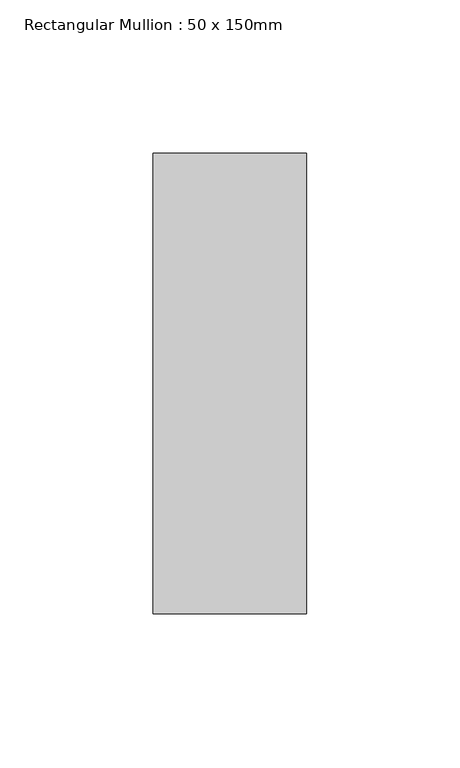
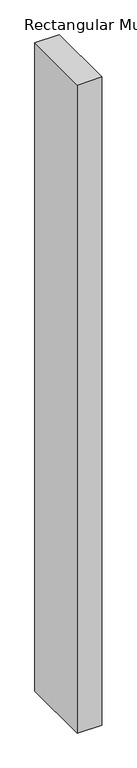
"""IFC4 building model written with IfcOpenShell, lengths in millimetres: member geometry, Rectangular Mullion : 50 x 150mm."""

import ifcopenshell
import ifcopenshell.guid

model = None  # the IFC model being written
_history = None  # IfcOwnerHistory: only IFC2X3 demands one
_inside = {}  # id of a spatial element -> (the spatial element, [elements in it])
_under = {}  # id of a project, library or spatial element -> (it, [spatial elements below it])
_declared = {}  # id of a project -> (the project, [libraries it declares])
_typed = {}  # id of a type object -> (the type object, [elements of that type])
_made_of = {}  # id of a material, layer set ... -> (it, [elements and type objects made of it])


def new_model(schema):
    """Start an empty IFC model of exactly this schema.

    Asked for "IFC4X3", IfcOpenShell would pick the latest addendum, in which some entities
    have other attributes; the version numbers below select the first issue.
    IFC2X3 requires an IfcOwnerHistory on every rooted entity: one is made here for all.
    """
    global model, _history
    if schema == "IFC4X3":
        model = ifcopenshell.file(schema_version=(4, 3, 0, 0))
    else:
        model = ifcopenshell.file(schema=schema)
    _inside.clear()
    _under.clear()
    _declared.clear()
    _typed.clear()
    _made_of.clear()
    _history = None
    if model.schema == "IFC2X3":
        org = make("IfcOrganization", Name="unknown")
        user = make(
            "IfcPersonAndOrganization",
            ThePerson=make("IfcPerson", FamilyName="unknown"),
            TheOrganization=org,
        )
        app = make(
            "IfcApplication",
            ApplicationDeveloper=org,
            Version="unknown",
            ApplicationFullName="unknown",
            ApplicationIdentifier="unknown",
        )
        _history = make(
            "IfcOwnerHistory",
            OwningUser=user,
            OwningApplication=app,
            ChangeAction="ADDED",
            CreationDate=0,
        )
    return model


def make(cls, **values):
    """One entity of the class cls with the attributes given. An attribute that is None is left unset."""
    return model.create_entity(
        cls, **{name: value for name, value in values.items() if value is not None}
    )


def rooted(cls, **values):
    """An entity with a GlobalId (a new one), such as an element, a storey or a relation."""
    return make(cls, GlobalId=ifcopenshell.guid.new(), OwnerHistory=_history, **values)


def si_unit(unit_type, name, prefix=None):
    """IfcSIUnit, for example si_unit("LENGTHUNIT", "METRE", prefix="MILLI")."""
    return make("IfcSIUnit", UnitType=unit_type, Prefix=prefix, Name=name)


def assignment(units):
    """IfcUnitAssignment: the units of a project."""
    return None if units is None else make("IfcUnitAssignment", Units=units)


def point(xyz):
    """IfcCartesianPoint."""
    return None if xyz is None else make("IfcCartesianPoint", Coordinates=xyz)


def direction(xyz):
    """IfcDirection."""
    return None if xyz is None else make("IfcDirection", DirectionRatios=xyz)


def frame(location, z_axis=None, x_axis=None):
    """IfcAxis2Placement3D, a coordinate frame: its origin and axes. An axis left out is left unset."""
    return make(
        "IfcAxis2Placement3D",
        Location=point(location),
        Axis=direction(z_axis),
        RefDirection=direction(x_axis),
    )


def origin():
    """The frame at (0, 0, 0) with its axes left unset."""
    return frame((0.0, 0.0, 0.0))


def place(relative_to, where):
    """IfcLocalPlacement: puts the frame where relative to a parent placement (None: the world)."""
    return make(
        "IfcLocalPlacement", PlacementRelTo=relative_to, RelativePlacement=where
    )


def context(
    kind, dimensions, precision=None, world=None, true_north=None, identifier=None
):
    """IfcGeometricRepresentationContext, for example the 3D "Model" context."""
    return make(
        "IfcGeometricRepresentationContext",
        ContextIdentifier=identifier,
        ContextType=kind,
        CoordinateSpaceDimension=dimensions,
        Precision=precision,
        WorldCoordinateSystem=world,
        TrueNorth=true_north,
    )


def project(units=None, contexts=None):
    """IfcProject with its units and contexts."""
    return rooted(
        "IfcProject",
        Name="project",
        RepresentationContexts=contexts,
        UnitsInContext=assignment(units),
    )


def spatial(cls, under=None, at=None, **own):
    """A site, building, storey or space (cls), placed at a placement, below another one or the project."""
    s = rooted(cls, ObjectPlacement=at, **own)
    if under is not None:
        _under.setdefault(under.id(), (under, []))[1].append(s)
    return s


def polyline(points):
    """IfcPolyline through the points."""
    return make("IfcPolyline", Points=[point(p) for p in points])


def outline(outer, holes=None, kind="AREA"):
    """IfcArbitraryClosedProfileDef: a profile drawn as a closed curve; with holes, ...WithVoids."""
    if holes is None:
        return make("IfcArbitraryClosedProfileDef", ProfileType=kind, OuterCurve=outer)
    return make(
        "IfcArbitraryProfileDefWithVoids",
        ProfileType=kind,
        OuterCurve=outer,
        InnerCurves=holes,
    )


def extrude(swept, where, along, depth):
    """IfcExtrudedAreaSolid: the profile swept, set in the frame where, extruded along a direction by depth."""
    return make(
        "IfcExtrudedAreaSolid",
        SweptArea=swept,
        Position=where,
        ExtrudedDirection=direction(along),
        Depth=depth,
    )


def shape(context_of_items, identifier, shape_type, items):
    """IfcShapeRepresentation: the items that make up one representation, for example the "Body"."""
    return make(
        "IfcShapeRepresentation",
        ContextOfItems=context_of_items,
        RepresentationIdentifier=identifier,
        RepresentationType=shape_type,
        Items=items,
    )


def source(mapping_origin, context_of_items, identifier, shape_type, items):
    """IfcRepresentationMap: a shape defined once, which mapped items show again and again."""
    return make(
        "IfcRepresentationMap",
        MappingOrigin=mapping_origin,
        MappedRepresentation=shape(context_of_items, identifier, shape_type, items),
    )


def transform(
    local_origin,
    x_axis=None,
    y_axis=None,
    z_axis=None,
    scale=None,
    scale2=None,
    scale3=None,
    uniform=True,
):
    """IfcCartesianTransformationOperator3D, or its non-uniform kind. x_axis, y_axis, z_axis: its Axis1, 2, 3."""
    if uniform:
        return make(
            "IfcCartesianTransformationOperator3D",
            Axis1=direction(x_axis),
            Axis2=direction(y_axis),
            LocalOrigin=point(local_origin),
            Scale=scale,
            Axis3=direction(z_axis),
        )
    return make(
        "IfcCartesianTransformationOperator3DnonUniform",
        Axis1=direction(x_axis),
        Axis2=direction(y_axis),
        LocalOrigin=point(local_origin),
        Scale=scale,
        Axis3=direction(z_axis),
        Scale2=scale2,
        Scale3=scale3,
    )


def mapped(mapping_source, mapping_target):
    """IfcMappedItem: shows the shape of a source again, moved by a transform."""
    return make(
        "IfcMappedItem", MappingSource=mapping_source, MappingTarget=mapping_target
    )


def made_of(thing, what):
    """Note that an element or type object is made of a material, layer set ...; save() writes the relation."""
    if what is not None:
        _made_of.setdefault(what.id(), (what, []))[1].append(thing)
    return thing


def element(
    cls,
    number,
    at=None,
    inside=None,
    cuts=None,
    type_object=None,
    material=None,
    context=None,
    identifier="Body",
    shape_type=None,
    held_by="IfcProductDefinitionShape",
    body=None,
    shapes=None,
    **own,
):
    """One element of the class cls, such as IfcWall. Its Tag is "e" and its number.

    at: its placement. inside: the storey or other place that contains it. cuts: it is an
    opening in that element (IfcRelVoidsElement). A single representation is given by context,
    identifier, shape_type and body (its items); several are given by shapes. held_by: the class
    of the entity that holds the representations. save() writes the other relations.
    """
    e = rooted(cls, Tag="e%d" % number, ObjectPlacement=at, **own)
    if body is not None:
        shapes = [shape(context, identifier, shape_type, body)]
    if shapes is not None:
        e.Representation = make(held_by, Representations=shapes)
    if inside is not None:
        _inside.setdefault(inside.id(), (inside, []))[1].append(e)
    if cuts is not None:
        rooted(
            "IfcRelVoidsElement", RelatingBuildingElement=cuts, RelatedOpeningElement=e
        )
    if type_object is not None:
        _typed.setdefault(type_object.id(), (type_object, []))[1].append(e)
    return made_of(e, material)


def aggregate(whole, parts):
    """IfcRelAggregates: a whole, such as a stair, and the parts it consists of."""
    return rooted("IfcRelAggregates", RelatingObject=whole, RelatedObjects=parts)


def save(model, path):
    """Write the relations noted so far, then the file.

    IfcRelAggregates (storeys below a building ...), IfcRelContainedInSpatialStructure (elements
    in a storey), IfcRelDefinesByType, IfcRelAssociatesMaterial and IfcRelDeclares: one each for
    every whole, place, type object, material and project.
    """
    for whole, parts in _under.values():
        aggregate(whole, parts)
    for where, things in _inside.values():
        rooted(
            "IfcRelContainedInSpatialStructure",
            RelatedElements=things,
            RelatingStructure=where,
        )
    for kind, things in _typed.values():
        rooted("IfcRelDefinesByType", RelatedObjects=things, RelatingType=kind)
    for what, things in _made_of.values():
        rooted("IfcRelAssociatesMaterial", RelatedObjects=things, RelatingMaterial=what)
    for by, libraries in _declared.values():
        rooted("IfcRelDeclares", RelatingContext=by, RelatedDefinitions=libraries)
    model.write(path)


def rectangular_mullion_50_x_150mm_d8b3afa6(model_context):
    return source(origin(), model_context, "Body", "SweptSolid", [
        extrude(outline(polyline([(25.0, 75.0), (25.0, -75.0), (-25.0, -75.0), (-25.0, 75.0), (25.0, 75.0)])), frame((0.0, 0.0, -1403.3333333), z_axis=(0.0, 0.0, 1.0), x_axis=(1.0, 0.0, 0.0)), (0.0, 0.0, 1.0), 1403.3333333),
    ])


if __name__ == "__main__":
    model = new_model("IFC4")
    model_context = context("Model", 3, world=origin())
    ifc_project = project(units=[si_unit("LENGTHUNIT", "METRE", prefix="MILLI")], contexts=[model_context])
    site = spatial("IfcSite", under=ifc_project)
    building = spatial("IfcBuilding", under=site)
    placement = place(None, origin())
    rectangular_mullion_50_x_150mm_shape = rectangular_mullion_50_x_150mm_d8b3afa6(model_context)
    element("IfcMember", 1, ObjectType="Rectangular Mullion : 50 x 150mm", at=placement, inside=building, context=model_context, shape_type="MappedRepresentation", body=[
        mapped(rectangular_mullion_50_x_150mm_shape, transform((0.0, 0.0, 0.0), x_axis=(1.0, 0.0, 0.0), y_axis=(0.0, 1.0, 0.0), z_axis=(0.0, 0.0, 1.0))),
    ])
    save(model, "model.ifc")
